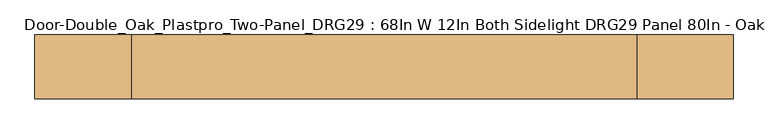
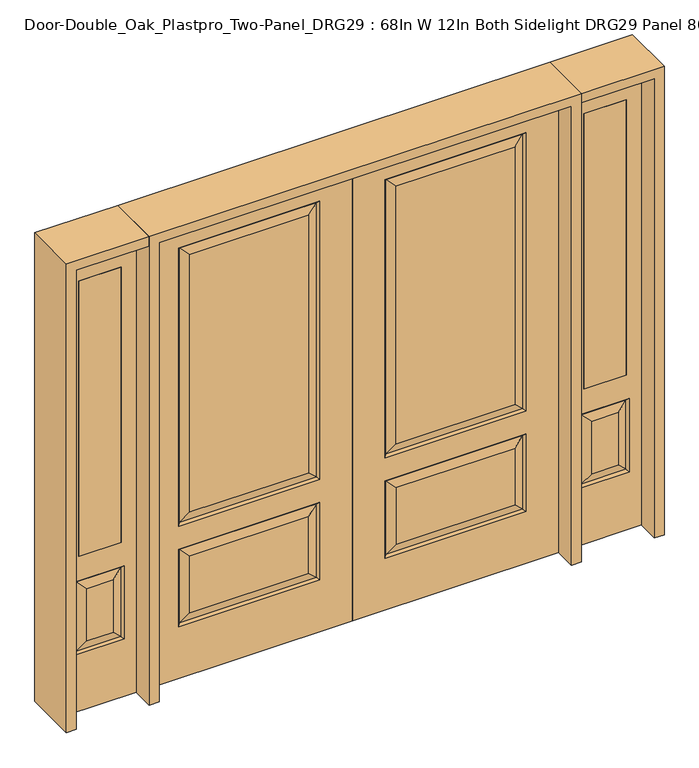
"""IFC4 building model written with IfcOpenShell, lengths in millimetres: door geometry, Door-Double_Oak_Plastpro_Two-Panel_DRG29 : 68In W 12In Both Sidelight DRG29 Panel 80In - Oak."""

from ifc_helpers import new_model, si_unit, frame, origin, place, context, project, spatial, polyline, outline, extrude, faceted_brep, source, transform, mapped, element, save


def door_double_oak_plastpro_two_panel_drg29_68in_w_12in_both_369b6abb(model_context):
    return source(origin(), model_context, "Body", "SolidModel", [
        faceted_brep([(717.9796986, -11.6572439, 562.4046986), (145.6203014, -11.6572439, 562.4046986), (182.6775452, -20.6375, 525.3474548), (680.9224548, -20.6375, 525.3474548), (182.6775452, -20.6375, 274.7525452), (145.6203014, -11.6572439, 237.6953014), (0.0, 20.6375, 0.0), (863.6, 20.6375, 0.0), (863.6, -20.6375, 0.0), (0.0, -20.6375, 0.0), (0.0, 20.6375, 2032.0), (0.0, -20.6375, 2032.0), (863.6, -20.6375, 2032.0), (136.6400452, -20.6375, 228.7150452), (136.6400452, -20.6375, 571.3849548), (726.9599548, -20.6375, 571.3849548), (726.9599548, -20.6375, 228.7150452), (136.6400452, -20.6375, 673.2150452), (136.6400452, -20.6375, 1904.8849548), (726.9599548, -20.6375, 1904.8849548), (726.9599548, -20.6375, 673.2150452), (680.9224548, -20.6375, 274.7525452), (680.9224548, -20.6375, 719.2525452), (680.9224548, -20.6375, 1858.8474548), (182.6775452, -20.6375, 1858.8474548), (182.6775452, -20.6375, 719.2525452), (680.9224548, 20.6375, 274.7525452), (680.9224548, 20.6375, 525.3474548), (717.9796986, 11.6572439, 562.4046986), (717.9796986, 11.6572439, 237.6953014), (726.9599548, 20.6375, 571.3849548), (726.9599548, 20.6375, 228.7150452), (145.6203014, 11.6572439, 237.6953014), (145.6203014, 11.6572439, 562.4046986), (182.6775452, 20.6375, 525.3474548), (182.6775452, 20.6375, 274.7525452), (145.6203014, 11.6572439, 682.1953014), (182.6775452, 20.6375, 719.2525452), (680.9224548, 20.6375, 719.2525452), (717.9796986, 11.6572439, 682.1953014), (680.9224548, 20.6375, 1858.8474548), (717.9796986, 11.6572439, 1895.9046986), (136.6400452, 20.6375, 571.3849548), (717.9796986, -11.6572439, 237.6953014), (863.6, 20.6375, 2032.0), (136.6400452, 20.6375, 228.7150452), (726.9599548, 20.6375, 673.2150452), (726.9599548, 20.6375, 1904.8849548), (136.6400452, 20.6375, 1904.8849548), (136.6400452, 20.6375, 673.2150452), (182.6775452, 20.6375, 1858.8474548), (145.6203014, 11.6572439, 1895.9046986), (145.6203014, -11.6572439, 682.1953014), (717.9796986, -11.6572439, 682.1953014), (717.9796986, -11.6572439, 1895.9046986), (145.6203014, -11.6572439, 1895.9046986)], [[[0, 1, 2, 3]], [[4, 2, 1, 5]], [[6, 7, 8, 9]], [[10, 6, 9, 11]], [[11, 9, 8, 12], [13, 14, 15, 16], [17, 18, 19, 20]], [[21, 3, 2, 4]], [[22, 23, 24, 25]], [[26, 27, 28, 29]], [[29, 28, 30, 31]], [[32, 33, 34, 35]], [[36, 37, 38, 39]], [[38, 40, 41, 39]], [[28, 33, 42, 30]], [[16, 15, 0, 43]], [[15, 14, 1, 0]], [[12, 8, 7, 44]], [[44, 7, 6, 10], [31, 30, 42, 45], [46, 47, 48, 49]], [[37, 50, 40, 38]], [[35, 34, 27, 26]], [[10, 11, 12, 44]], [[49, 48, 51, 36]], [[29, 31, 45, 32]], [[36, 51, 50, 37]], [[45, 42, 33, 32]], [[39, 46, 49, 36]], [[39, 41, 47, 46]], [[32, 35, 26, 29]], [[27, 34, 33, 28]], [[52, 17, 20, 53]], [[20, 19, 54, 53]], [[52, 55, 18, 17]], [[53, 22, 25, 52]], [[25, 24, 55, 52]], [[53, 54, 23, 22]], [[5, 13, 16, 43]], [[5, 1, 14, 13]], [[43, 21, 4, 5]], [[43, 0, 3, 21]], [[19, 18, 55, 54]], [[54, 55, 24, 23]], [[40, 50, 51, 41]], [[41, 51, 48, 47]]]),
        faceted_brep([(-717.9796986, -11.6572439, 562.4046986), (-680.9224548, -20.6375, 525.3474548), (-182.6775452, -20.6375, 525.3474548), (-145.6203014, -11.6572439, 562.4046986), (-182.6775452, -20.6375, 274.7525452), (-145.6203014, -11.6572439, 237.6953014), (0.0, 20.6375, 0.0), (0.0, -20.6375, 0.0), (-863.6, -20.6375, 0.0), (-863.6, 20.6375, 0.0), (0.0, 20.6375, 2032.0), (0.0, -20.6375, 2032.0), (-680.9224548, -20.6375, 719.2525452), (-182.6775452, -20.6375, 719.2525452), (-182.6775452, -20.6375, 1858.8474548), (-680.9224548, -20.6375, 1858.8474548), (-863.6, -20.6375, 2032.0), (-136.6400452, -20.6375, 673.2150452), (-726.9599548, -20.6375, 673.2150452), (-726.9599548, -20.6375, 1904.8849548), (-136.6400452, -20.6375, 1904.8849548), (-136.6400452, -20.6375, 228.7150452), (-726.9599548, -20.6375, 228.7150452), (-726.9599548, -20.6375, 571.3849548), (-136.6400452, -20.6375, 571.3849548), (-680.9224548, -20.6375, 274.7525452), (-680.9224548, 20.6375, 274.7525452), (-717.9796986, 11.6572439, 237.6953014), (-717.9796986, 11.6572439, 562.4046986), (-680.9224548, 20.6375, 525.3474548), (-726.9599548, 20.6375, 228.7150452), (-726.9599548, 20.6375, 571.3849548), (-145.6203014, 11.6572439, 237.6953014), (-182.6775452, 20.6375, 274.7525452), (-182.6775452, 20.6375, 525.3474548), (-145.6203014, 11.6572439, 562.4046986), (-145.6203014, 11.6572439, 682.1953014), (-717.9796986, 11.6572439, 682.1953014), (-680.9224548, 20.6375, 719.2525452), (-182.6775452, 20.6375, 719.2525452), (-717.9796986, 11.6572439, 1895.9046986), (-680.9224548, 20.6375, 1858.8474548), (-136.6400452, 20.6375, 571.3849548), (-717.9796986, -11.6572439, 237.6953014), (-863.6, 20.6375, 2032.0), (-136.6400452, 20.6375, 228.7150452), (-726.9599548, 20.6375, 673.2150452), (-136.6400452, 20.6375, 673.2150452), (-136.6400452, 20.6375, 1904.8849548), (-726.9599548, 20.6375, 1904.8849548), (-182.6775452, 20.6375, 1858.8474548), (-145.6203014, 11.6572439, 1895.9046986), (-145.6203014, -11.6572439, 682.1953014), (-717.9796986, -11.6572439, 682.1953014), (-717.9796986, -11.6572439, 1895.9046986), (-145.6203014, -11.6572439, 1895.9046986)], [[[0, 1, 2, 3]], [[4, 5, 3, 2]], [[6, 7, 8, 9]], [[10, 11, 7, 6]], [[12, 13, 14, 15]], [[11, 16, 8, 7], [17, 18, 19, 20], [21, 22, 23, 24]], [[25, 4, 2, 1]], [[26, 27, 28, 29]], [[27, 30, 31, 28]], [[32, 33, 34, 35]], [[36, 37, 38, 39]], [[38, 37, 40, 41]], [[28, 31, 42, 35]], [[22, 43, 0, 23]], [[23, 0, 3, 24]], [[16, 44, 9, 8]], [[33, 26, 29, 34]], [[44, 10, 6, 9], [30, 45, 42, 31], [46, 47, 48, 49]], [[39, 38, 41, 50]], [[10, 44, 16, 11]], [[47, 36, 51, 48]], [[27, 32, 45, 30]], [[36, 39, 50, 51]], [[45, 32, 35, 42]], [[37, 36, 47, 46]], [[37, 46, 49, 40]], [[32, 27, 26, 33]], [[29, 28, 35, 34]], [[52, 53, 18, 17]], [[18, 53, 54, 19]], [[52, 17, 20, 55]], [[53, 52, 13, 12]], [[13, 52, 55, 14]], [[53, 12, 15, 54]], [[5, 43, 22, 21]], [[5, 21, 24, 3]], [[43, 5, 4, 25]], [[43, 25, 1, 0]], [[19, 54, 55, 20]], [[54, 15, 14, 55]], [[41, 40, 51, 50]], [[40, 49, 48, 51]]]),
        extrude(outline(polyline([(1146.175, -20.6375), (968.375, -20.6375), (968.375, 20.6375), (1146.175, 20.6375), (1146.175, -20.6375)])), frame((0.0, 0.0, 685.8), z_axis=(0.0, 0.0, 1.0), x_axis=(1.0, 0.0, 0.0)), (0.0, 0.0, 1.0), 1219.2),
        faceted_brep([(1146.175, -20.6375, 1905.0), (968.375, -20.6375, 1905.0), (968.375, 20.6375, 1905.0), (1146.175, 20.6375, 1905.0), (1112.7224548, -20.6375, 531.6974548), (1001.8275452, -20.6375, 531.6974548), (1001.8275452, -20.6375, 300.1525452), (1112.7224548, -20.6375, 300.1525452), (904.875, -20.6375, 2032.0), (904.875, -20.6375, 0.0), (1209.675, -20.6375, 0.0), (1209.675, -20.6375, 2032.0), (1146.175, -20.6375, 685.8), (968.375, -20.6375, 685.8), (1158.7599548, -20.6375, 254.1150452), (955.7900452, -20.6375, 254.1150452), (955.7900452, -20.6375, 577.7349548), (1158.7599548, -20.6375, 577.7349548), (1149.7796986, 11.6572439, 568.7546986), (1158.7599548, 20.6375, 577.7349548), (1158.7599548, 20.6375, 254.1150452), (1149.7796986, 11.6572439, 263.0953014), (964.7703014, 11.6572439, 568.7546986), (955.7900452, 20.6375, 577.7349548), (1112.7224548, 20.6375, 300.1525452), (1112.7224548, 20.6375, 531.6974548), (1146.175, 20.6375, 685.8), (968.375, 20.6375, 685.8), (964.7703014, -11.6572439, 263.0953014), (1149.7796986, -11.6572439, 263.0953014), (964.7703014, -11.6572439, 568.7546986), (1149.7796986, -11.6572439, 568.7546986), (904.875, 20.6375, 2032.0), (1209.675, 20.6375, 2032.0), (904.875, 20.6375, 0.0), (1209.675, 20.6375, 0.0), (955.7900452, 20.6375, 254.1150452), (1001.8275452, 20.6375, 300.1525452), (1001.8275452, 20.6375, 531.6974548), (964.7703014, 11.6572439, 263.0953014)], [[[0, 1, 2, 3]], [[4, 5, 6, 7]], [[8, 9, 10, 11], [0, 12, 13, 1], [14, 15, 16, 17]], [[18, 19, 20, 21]], [[18, 22, 23, 19]], [[21, 24, 25, 18]], [[26, 27, 13, 12]], [[7, 6, 28, 29]], [[6, 5, 30, 28]], [[29, 14, 17, 31]], [[32, 8, 11, 33]], [[34, 35, 10, 9]], [[32, 34, 9, 8]], [[11, 10, 35, 33]], [[33, 35, 34, 32], [19, 23, 36, 20], [2, 27, 26, 3]], [[24, 37, 38, 25]], [[20, 36, 39, 21]], [[36, 23, 22, 39]], [[25, 38, 22, 18]], [[39, 22, 38, 37]], [[21, 39, 37, 24]], [[3, 26, 12, 0]], [[1, 13, 27, 2]], [[31, 4, 7, 29]], [[31, 30, 5, 4]], [[17, 16, 30, 31]], [[28, 30, 16, 15]], [[29, 28, 15, 14]]]),
        extrude(outline(polyline([(-1146.175, -20.6375), (-1146.175, 20.6375), (-968.375, 20.6375), (-968.375, -20.6375), (-1146.175, -20.6375)])), frame((0.0, 0.0, 685.8), z_axis=(0.0, 0.0, 1.0), x_axis=(1.0, 0.0, 0.0)), (0.0, 0.0, 1.0), 1219.2),
        faceted_brep([(-1146.175, -20.6375, 1905.0), (-1146.175, 20.6375, 1905.0), (-968.375, 20.6375, 1905.0), (-968.375, -20.6375, 1905.0), (-1112.7224548, -20.6375, 531.6974548), (-1112.7224548, -20.6375, 300.1525452), (-1001.8275452, -20.6375, 300.1525452), (-1001.8275452, -20.6375, 531.6974548), (-904.875, -20.6375, 2032.0), (-1209.675, -20.6375, 2032.0), (-1209.675, -20.6375, 0.0), (-904.875, -20.6375, 0.0), (-1158.7599548, -20.6375, 254.1150452), (-1158.7599548, -20.6375, 577.7349548), (-955.7900452, -20.6375, 577.7349548), (-955.7900452, -20.6375, 254.1150452), (-968.375, -20.6375, 685.8), (-1146.175, -20.6375, 685.8), (-1149.7796986, 11.6572439, 568.7546986), (-1149.7796986, 11.6572439, 263.0953014), (-1158.7599548, 20.6375, 254.1150452), (-1158.7599548, 20.6375, 577.7349548), (-955.7900452, 20.6375, 577.7349548), (-964.7703014, 11.6572439, 568.7546986), (-1112.7224548, 20.6375, 531.6974548), (-1112.7224548, 20.6375, 300.1525452), (-1146.175, 20.6375, 685.8), (-968.375, 20.6375, 685.8), (-1149.7796986, -11.6572439, 263.0953014), (-964.7703014, -11.6572439, 263.0953014), (-964.7703014, -11.6572439, 568.7546986), (-1149.7796986, -11.6572439, 568.7546986), (-904.875, 20.6375, 2032.0), (-1209.675, 20.6375, 2032.0), (-904.875, 20.6375, 0.0), (-1209.675, 20.6375, 0.0), (-955.7900452, 20.6375, 254.1150452), (-1001.8275452, 20.6375, 531.6974548), (-1001.8275452, 20.6375, 300.1525452), (-964.7703014, 11.6572439, 263.0953014)], [[[0, 1, 2, 3]], [[4, 5, 6, 7]], [[8, 9, 10, 11], [12, 13, 14, 15], [0, 3, 16, 17]], [[18, 19, 20, 21]], [[18, 21, 22, 23]], [[19, 18, 24, 25]], [[26, 17, 16, 27]], [[5, 28, 29, 6]], [[6, 29, 30, 7]], [[28, 31, 13, 12]], [[32, 33, 9, 8]], [[34, 11, 10, 35]], [[32, 8, 11, 34]], [[9, 33, 35, 10]], [[33, 32, 34, 35], [21, 20, 36, 22], [2, 1, 26, 27]], [[25, 24, 37, 38]], [[20, 19, 39, 36]], [[36, 39, 23, 22]], [[24, 18, 23, 37]], [[39, 38, 37, 23]], [[19, 25, 38, 39]], [[1, 0, 17, 26]], [[3, 2, 27, 16]], [[31, 28, 5, 4]], [[31, 4, 7, 30]], [[13, 31, 30, 14]], [[29, 15, 14, 30]], [[28, 12, 15, 29]]]),
        extrude(outline(polyline([(2032.0, -904.875), (2073.275, -904.875), (2073.275, -1250.95), (0.0, -1250.95), (0.0, -1209.675), (2032.0, -1209.675), (2032.0, -904.875)])), frame((0.0, -114.3, 0.0), z_axis=(0.0, 1.0, 0.0), x_axis=(0.0, 0.0, 1.0)), (0.0, 0.0, 1.0), 228.6),
        extrude(outline(polyline([(2073.275, -904.875), (0.0, -904.875), (0.0, -863.6), (2032.0, -863.6), (2032.0, 863.6), (0.0, 863.6), (0.0, 904.875), (2073.275, 904.875), (2073.275, -904.875)])), frame((0.0, -114.3, 0.0), z_axis=(0.0, 1.0, 0.0), x_axis=(0.0, 0.0, 1.0)), (0.0, 0.0, 1.0), 228.6),
        extrude(outline(polyline([(0.0, 1209.675), (0.0, 1250.95), (2073.275, 1250.95), (2073.275, 904.875), (2032.0, 904.875), (2032.0, 1209.675), (0.0, 1209.675)])), frame((0.0, -114.3, 0.0), z_axis=(0.0, 1.0, 0.0), x_axis=(0.0, 0.0, 1.0)), (0.0, 0.0, 1.0), 228.6),
    ])


if __name__ == "__main__":
    model = new_model("IFC4")
    model_context = context("Model", 3, world=origin())
    ifc_project = project(units=[si_unit("LENGTHUNIT", "METRE", prefix="MILLI")], contexts=[model_context])
    site = spatial("IfcSite", under=ifc_project)
    building = spatial("IfcBuilding", under=site)
    placement = place(None, origin())
    door_double_oak_plastpro_two_panel_drg29_68in_w_12in_both_shape = door_double_oak_plastpro_two_panel_drg29_68in_w_12in_both_369b6abb(model_context)
    element("IfcDoor", 1, ObjectType="Door-Double_Oak_Plastpro_Two-Panel_DRG29 : 68In W 12In Both Sidelight DRG29 Panel 80In - Oak", at=placement, inside=building, context=model_context, shape_type="MappedRepresentation", body=[
        mapped(door_double_oak_plastpro_two_panel_drg29_68in_w_12in_both_shape, transform((0.0, 0.0, 0.0), x_axis=(1.0, 0.0, 0.0), y_axis=(0.0, 1.0, 0.0), z_axis=(0.0, 0.0, 1.0))),
    ])
    save(model, "model.ifc")
